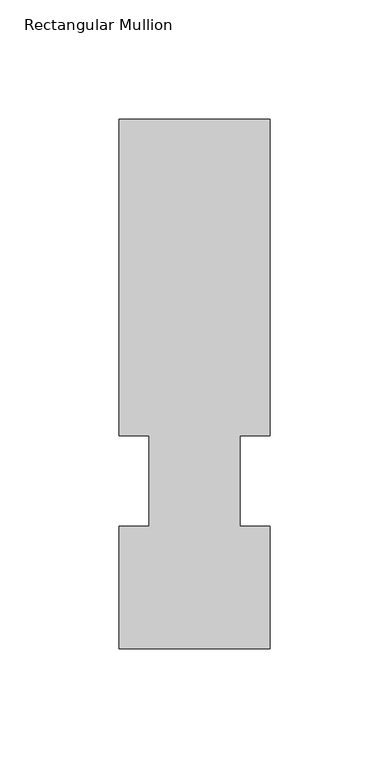
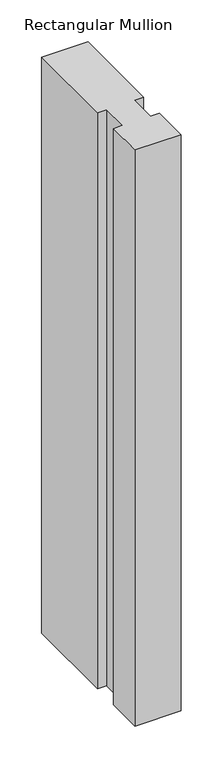
"""IFC4 building model written with IfcOpenShell, lengths in millimetres: member geometry, Rectangular Mullion."""

from ifc_helpers import new_model, si_unit, frame, origin, place, context, project, spatial, polyline, outline, extrude, source, transform, mapped, element, save


def rectangular_mullion_b1cfabde(model_context):
    return source(origin(), model_context, "Body", "SweptSolid", [
        extrude(outline(polyline([(-31.7500004, 222.5381312), (31.7499996, 222.5381312), (31.7499996, 89.5945313), (19.05, 89.5945313), (19.05, 51.4945313), (31.7499999, 51.4945313), (31.7499999, 0.2119313), (-31.7500001, 0.2119313), (-31.7500001, 51.4945313), (-19.0500001, 51.4945313), (-19.0500001, 89.5945313), (-31.7500004, 89.5945313), (-31.7500004, 222.5381312)])), frame((0.0, 0.0, -838.2), z_axis=(0.0, 0.0, 1.0), x_axis=(1.0, 0.0, 0.0)), (0.0, 0.0, 1.0), 838.2),
    ])


if __name__ == "__main__":
    model = new_model("IFC4")
    model_context = context("Model", 3, world=origin())
    ifc_project = project(units=[si_unit("LENGTHUNIT", "METRE", prefix="MILLI")], contexts=[model_context])
    site = spatial("IfcSite", under=ifc_project)
    building = spatial("IfcBuilding", under=site)
    placement = place(None, origin())
    rectangular_mullion_shape = rectangular_mullion_b1cfabde(model_context)
    element("IfcMember", 1, ObjectType="Rectangular Mullion", at=placement, inside=building, context=model_context, shape_type="MappedRepresentation", body=[
        mapped(rectangular_mullion_shape, transform((0.0, 0.0, 0.0), x_axis=(1.0, 0.0, 0.0), y_axis=(0.0, 1.0, 0.0), z_axis=(0.0, 0.0, 1.0))),
    ])
    save(model, "model.ifc")
